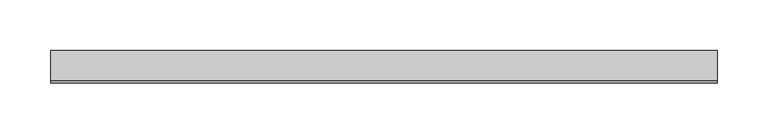
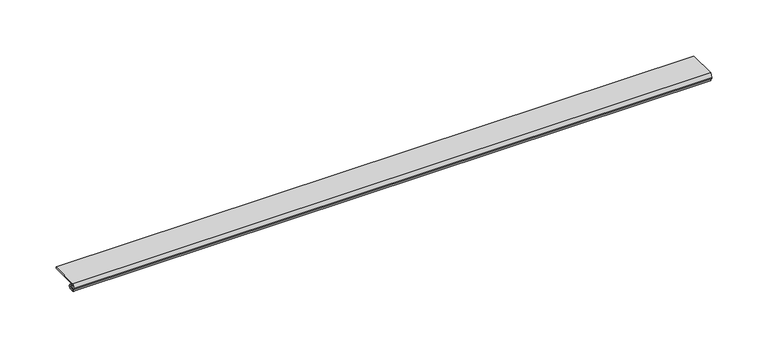
"""IFC4 building model written with IfcOpenShell, lengths in millimetres: proxy geometry."""

from ifc_helpers import new_model, si_unit, point, frame, frame_2d, origin, place, context, project, spatial, polyline, circle_curve, trimmed, segment, composite_curve, outline, extrude, source, transform, mapped, element, save


def generic_models_30703c65(model_context):
    return source(origin(), model_context, "Body", "SweptSolid", [
        extrude(outline(composite_curve([segment(polyline([(31.75, 13.2537076), (31.75, 11.6837076), (4.9698231, 11.6837076)]), True, "CONTINUOUS"), segment(trimmed(circle_curve(frame_2d((4.9836004, 10.5900854)), 1.093709), [point((4.9698231, 11.6837076))], [point((4.9454257, 9.4970429))], True, "CARTESIAN"), True, "CONTINUOUS"), segment(polyline([(4.9454257, 9.4970429), (6.3252986, 9.4327708)]), True, "CONTINUOUS"), segment(trimmed(circle_curve(frame_2d((6.2190404, 7.151486)), 2.2837581), [point((6.3252986, 9.4327708))], [point((6.2190404, 4.8677279))], False, "CARTESIAN"), True, "CONTINUOUS"), segment(polyline([(6.2190404, 4.8677279), (2.2867276, 4.8677279)]), True, "CONTINUOUS"), segment(trimmed(circle_curve(frame_2d((2.2867276, 5.5318063)), 0.6640784), [point((2.2867276, 4.8677279))], [point((2.2368711, 6.1940104))], False, "CARTESIAN"), True, "CONTINUOUS"), segment(polyline([(2.2368711, 6.1940104), (4.5055344, 6.3177279), (6.0740222, 6.3177279)]), True, "CONTINUOUS"), segment(trimmed(circle_curve(frame_2d((6.0740222, 7.2927279)), 0.975), [point((6.0740222, 6.3177279))], [point((6.0740222, 8.2677279))], True, "CARTESIAN"), True, "CONTINUOUS"), segment(polyline([(6.0740222, 8.2677279), (4.8748016, 8.2677279), (3.9297655, 8.3107178)]), True, "CONTINUOUS"), segment(trimmed(circle_curve(frame_2d((2.4847467, 6.6596487)), 2.1941076), [point((3.9297655, 8.3107178))], [point((1.0903749, 8.3537076))], True, "CARTESIAN"), True, "CONTINUOUS"), segment(polyline([(1.0903749, 8.3537076), (0.065443, 8.3537076), (0.065443, 9.2261945), (2.1184419, 13.2537076), (31.75, 13.2537076)]), True, "CONTINUOUS")], self_intersect=False)), frame((0.0, 0.0, 0.0), z_axis=(1.0, 0.0, 0.0), x_axis=(0.0, 1.0, 0.0)), (0.0, 0.0, 1.0), 653.773),
    ])


if __name__ == "__main__":
    model = new_model("IFC4")
    model_context = context("Model", 3, world=origin())
    ifc_project = project(units=[si_unit("LENGTHUNIT", "METRE", prefix="MILLI")], contexts=[model_context])
    site = spatial("IfcSite", under=ifc_project)
    building = spatial("IfcBuilding", under=site)
    placement = place(None, origin())
    generic_models_shape = generic_models_30703c65(model_context)
    element("IfcBuildingElementProxy", 1, Name="Generic Models", at=placement, inside=building, context=model_context, shape_type="MappedRepresentation", body=[
        mapped(generic_models_shape, transform((0.0, 0.0, 0.0), x_axis=(1.0, 0.0, 0.0), y_axis=(0.0, 1.0, 0.0), z_axis=(0.0, 0.0, 1.0))),
    ])
    save(model, "model.ifc")
